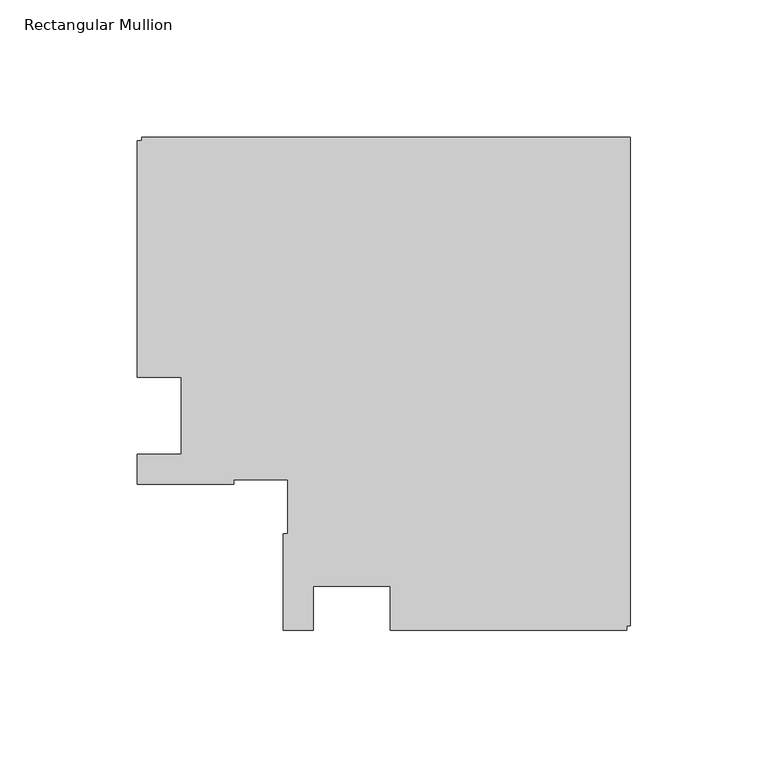
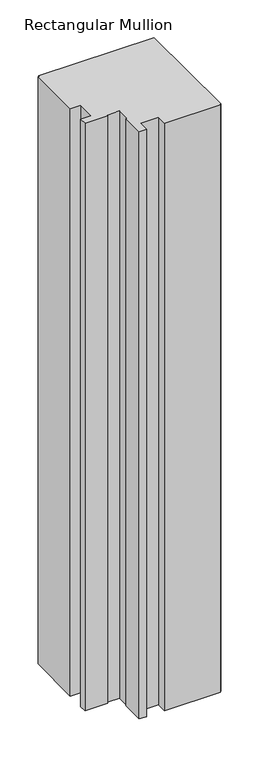
"""IFC4 building model written with IfcOpenShell, lengths in millimetres: member geometry, Rectangular Mullion."""

from ifc_helpers import new_model, si_unit, frame, origin, place, context, project, spatial, polyline, outline, extrude, source, transform, mapped, element, save


def rectangular_mullion_f81574ff(model_context):
    return source(origin(), model_context, "Body", "SweptSolid", [
        extrude(outline(polyline([(-179.1817613, 13.9960563), (-179.1817613, 100.0001107), (-177.7039408, 100.0001107), (-177.7039408, 101.2001107), (0.0, 101.2001107), (0.0, -76.4884533), (-1.2039451, -76.4884533), (-1.2039451, -77.9816506), (-87.2040012, -77.9816506), (-87.2040012, -61.9816243), (-115.2040012, -61.9816243), (-115.2040012, -77.9816506), (-126.2039451, -77.9816506), (-126.2039451, -42.9816243), (-124.518731, -42.9816243), (-124.518731, -23.3186203), (-144.1817351, -23.3186203), (-144.1817351, -25.0038344), (-179.1817351, -25.0038344), (-179.1817351, -14.0038344), (-163.1817351, -14.0038344), (-163.1817351, 13.9960563), (-179.1817613, 13.9960563)])), frame((0.0, 0.0, -953.5485979), z_axis=(0.0, 0.0, 1.0), x_axis=(1.0, 0.0, 0.0)), (0.0, 0.0, 1.0), 953.5485979),
    ])


if __name__ == "__main__":
    model = new_model("IFC4")
    model_context = context("Model", 3, world=origin())
    ifc_project = project(units=[si_unit("LENGTHUNIT", "METRE", prefix="MILLI")], contexts=[model_context])
    site = spatial("IfcSite", under=ifc_project)
    building = spatial("IfcBuilding", under=site)
    placement = place(None, origin())
    rectangular_mullion_shape = rectangular_mullion_f81574ff(model_context)
    element("IfcMember", 1, ObjectType="Rectangular Mullion", at=placement, inside=building, context=model_context, shape_type="MappedRepresentation", body=[
        mapped(rectangular_mullion_shape, transform((0.0, 0.0, 0.0), x_axis=(1.0, 0.0, 0.0), y_axis=(0.0, 1.0, 0.0), z_axis=(0.0, 0.0, 1.0))),
    ])
    save(model, "model.ifc")
